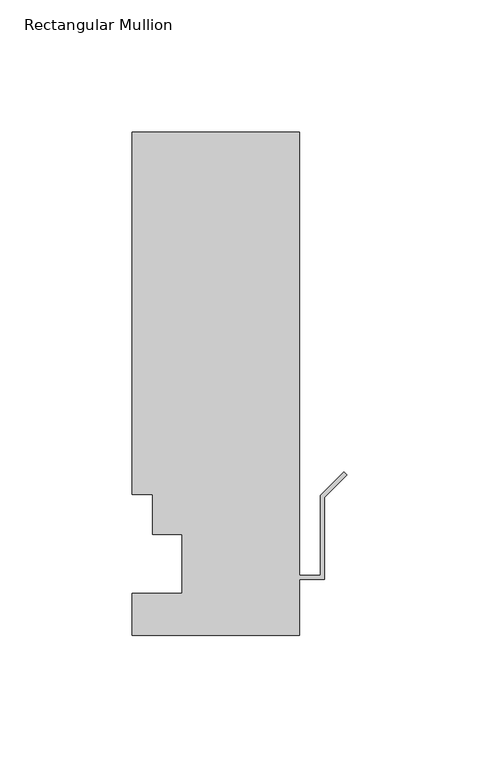
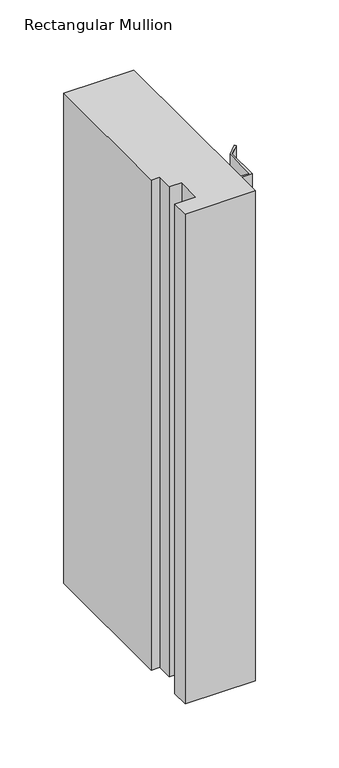
"""IFC4 building model written with IfcOpenShell, lengths in millimetres: member geometry, Rectangular Mullion."""

import ifcopenshell
import ifcopenshell.guid

model = None  # the IFC model being written
_history = None  # IfcOwnerHistory: only IFC2X3 demands one
_inside = {}  # id of a spatial element -> (the spatial element, [elements in it])
_under = {}  # id of a project, library or spatial element -> (it, [spatial elements below it])
_declared = {}  # id of a project -> (the project, [libraries it declares])
_typed = {}  # id of a type object -> (the type object, [elements of that type])
_made_of = {}  # id of a material, layer set ... -> (it, [elements and type objects made of it])


def new_model(schema):
    """Start an empty IFC model of exactly this schema.

    Asked for "IFC4X3", IfcOpenShell would pick the latest addendum, in which some entities
    have other attributes; the version numbers below select the first issue.
    IFC2X3 requires an IfcOwnerHistory on every rooted entity: one is made here for all.
    """
    global model, _history
    if schema == "IFC4X3":
        model = ifcopenshell.file(schema_version=(4, 3, 0, 0))
    else:
        model = ifcopenshell.file(schema=schema)
    _inside.clear()
    _under.clear()
    _declared.clear()
    _typed.clear()
    _made_of.clear()
    _history = None
    if model.schema == "IFC2X3":
        org = make("IfcOrganization", Name="unknown")
        user = make(
            "IfcPersonAndOrganization",
            ThePerson=make("IfcPerson", FamilyName="unknown"),
            TheOrganization=org,
        )
        app = make(
            "IfcApplication",
            ApplicationDeveloper=org,
            Version="unknown",
            ApplicationFullName="unknown",
            ApplicationIdentifier="unknown",
        )
        _history = make(
            "IfcOwnerHistory",
            OwningUser=user,
            OwningApplication=app,
            ChangeAction="ADDED",
            CreationDate=0,
        )
    return model


def make(cls, **values):
    """One entity of the class cls with the attributes given. An attribute that is None is left unset."""
    return model.create_entity(
        cls, **{name: value for name, value in values.items() if value is not None}
    )


def rooted(cls, **values):
    """An entity with a GlobalId (a new one), such as an element, a storey or a relation."""
    return make(cls, GlobalId=ifcopenshell.guid.new(), OwnerHistory=_history, **values)


def si_unit(unit_type, name, prefix=None):
    """IfcSIUnit, for example si_unit("LENGTHUNIT", "METRE", prefix="MILLI")."""
    return make("IfcSIUnit", UnitType=unit_type, Prefix=prefix, Name=name)


def assignment(units):
    """IfcUnitAssignment: the units of a project."""
    return None if units is None else make("IfcUnitAssignment", Units=units)


def point(xyz):
    """IfcCartesianPoint."""
    return None if xyz is None else make("IfcCartesianPoint", Coordinates=xyz)


def direction(xyz):
    """IfcDirection."""
    return None if xyz is None else make("IfcDirection", DirectionRatios=xyz)


def frame(location, z_axis=None, x_axis=None):
    """IfcAxis2Placement3D, a coordinate frame: its origin and axes. An axis left out is left unset."""
    return make(
        "IfcAxis2Placement3D",
        Location=point(location),
        Axis=direction(z_axis),
        RefDirection=direction(x_axis),
    )


def origin():
    """The frame at (0, 0, 0) with its axes left unset."""
    return frame((0.0, 0.0, 0.0))


def place(relative_to, where):
    """IfcLocalPlacement: puts the frame where relative to a parent placement (None: the world)."""
    return make(
        "IfcLocalPlacement", PlacementRelTo=relative_to, RelativePlacement=where
    )


def context(
    kind, dimensions, precision=None, world=None, true_north=None, identifier=None
):
    """IfcGeometricRepresentationContext, for example the 3D "Model" context."""
    return make(
        "IfcGeometricRepresentationContext",
        ContextIdentifier=identifier,
        ContextType=kind,
        CoordinateSpaceDimension=dimensions,
        Precision=precision,
        WorldCoordinateSystem=world,
        TrueNorth=true_north,
    )


def project(units=None, contexts=None):
    """IfcProject with its units and contexts."""
    return rooted(
        "IfcProject",
        Name="project",
        RepresentationContexts=contexts,
        UnitsInContext=assignment(units),
    )


def spatial(cls, under=None, at=None, **own):
    """A site, building, storey or space (cls), placed at a placement, below another one or the project."""
    s = rooted(cls, ObjectPlacement=at, **own)
    if under is not None:
        _under.setdefault(under.id(), (under, []))[1].append(s)
    return s


def polyline(points):
    """IfcPolyline through the points."""
    return make("IfcPolyline", Points=[point(p) for p in points])


def outline(outer, holes=None, kind="AREA"):
    """IfcArbitraryClosedProfileDef: a profile drawn as a closed curve; with holes, ...WithVoids."""
    if holes is None:
        return make("IfcArbitraryClosedProfileDef", ProfileType=kind, OuterCurve=outer)
    return make(
        "IfcArbitraryProfileDefWithVoids",
        ProfileType=kind,
        OuterCurve=outer,
        InnerCurves=holes,
    )


def extrude(swept, where, along, depth):
    """IfcExtrudedAreaSolid: the profile swept, set in the frame where, extruded along a direction by depth."""
    return make(
        "IfcExtrudedAreaSolid",
        SweptArea=swept,
        Position=where,
        ExtrudedDirection=direction(along),
        Depth=depth,
    )


def shape(context_of_items, identifier, shape_type, items):
    """IfcShapeRepresentation: the items that make up one representation, for example the "Body"."""
    return make(
        "IfcShapeRepresentation",
        ContextOfItems=context_of_items,
        RepresentationIdentifier=identifier,
        RepresentationType=shape_type,
        Items=items,
    )


def source(mapping_origin, context_of_items, identifier, shape_type, items):
    """IfcRepresentationMap: a shape defined once, which mapped items show again and again."""
    return make(
        "IfcRepresentationMap",
        MappingOrigin=mapping_origin,
        MappedRepresentation=shape(context_of_items, identifier, shape_type, items),
    )


def transform(
    local_origin,
    x_axis=None,
    y_axis=None,
    z_axis=None,
    scale=None,
    scale2=None,
    scale3=None,
    uniform=True,
):
    """IfcCartesianTransformationOperator3D, or its non-uniform kind. x_axis, y_axis, z_axis: its Axis1, 2, 3."""
    if uniform:
        return make(
            "IfcCartesianTransformationOperator3D",
            Axis1=direction(x_axis),
            Axis2=direction(y_axis),
            LocalOrigin=point(local_origin),
            Scale=scale,
            Axis3=direction(z_axis),
        )
    return make(
        "IfcCartesianTransformationOperator3DnonUniform",
        Axis1=direction(x_axis),
        Axis2=direction(y_axis),
        LocalOrigin=point(local_origin),
        Scale=scale,
        Axis3=direction(z_axis),
        Scale2=scale2,
        Scale3=scale3,
    )


def mapped(mapping_source, mapping_target):
    """IfcMappedItem: shows the shape of a source again, moved by a transform."""
    return make(
        "IfcMappedItem", MappingSource=mapping_source, MappingTarget=mapping_target
    )


def made_of(thing, what):
    """Note that an element or type object is made of a material, layer set ...; save() writes the relation."""
    if what is not None:
        _made_of.setdefault(what.id(), (what, []))[1].append(thing)
    return thing


def element(
    cls,
    number,
    at=None,
    inside=None,
    cuts=None,
    type_object=None,
    material=None,
    context=None,
    identifier="Body",
    shape_type=None,
    held_by="IfcProductDefinitionShape",
    body=None,
    shapes=None,
    **own,
):
    """One element of the class cls, such as IfcWall. Its Tag is "e" and its number.

    at: its placement. inside: the storey or other place that contains it. cuts: it is an
    opening in that element (IfcRelVoidsElement). A single representation is given by context,
    identifier, shape_type and body (its items); several are given by shapes. held_by: the class
    of the entity that holds the representations. save() writes the other relations.
    """
    e = rooted(cls, Tag="e%d" % number, ObjectPlacement=at, **own)
    if body is not None:
        shapes = [shape(context, identifier, shape_type, body)]
    if shapes is not None:
        e.Representation = make(held_by, Representations=shapes)
    if inside is not None:
        _inside.setdefault(inside.id(), (inside, []))[1].append(e)
    if cuts is not None:
        rooted(
            "IfcRelVoidsElement", RelatingBuildingElement=cuts, RelatedOpeningElement=e
        )
    if type_object is not None:
        _typed.setdefault(type_object.id(), (type_object, []))[1].append(e)
    return made_of(e, material)


def aggregate(whole, parts):
    """IfcRelAggregates: a whole, such as a stair, and the parts it consists of."""
    return rooted("IfcRelAggregates", RelatingObject=whole, RelatedObjects=parts)


def save(model, path):
    """Write the relations noted so far, then the file.

    IfcRelAggregates (storeys below a building ...), IfcRelContainedInSpatialStructure (elements
    in a storey), IfcRelDefinesByType, IfcRelAssociatesMaterial and IfcRelDeclares: one each for
    every whole, place, type object, material and project.
    """
    for whole, parts in _under.values():
        aggregate(whole, parts)
    for where, things in _inside.values():
        rooted(
            "IfcRelContainedInSpatialStructure",
            RelatedElements=things,
            RelatingStructure=where,
        )
    for kind, things in _typed.values():
        rooted("IfcRelDefinesByType", RelatedObjects=things, RelatingType=kind)
    for what, things in _made_of.values():
        rooted("IfcRelAssociatesMaterial", RelatedObjects=things, RelatingMaterial=what)
    for by, libraries in _declared.values():
        rooted("IfcRelDeclares", RelatingContext=by, RelatedDefinitions=libraries)
    model.write(path)


def rectangular_mullion_41391fd3(model_context):
    return source(origin(), model_context, "Body", "SweptSolid", [
        extrude(outline(polyline([(-81.5440079, 152.4992188), (-18.0440079, 152.4992188), (-18.0440079, -15.4201812), (-10.0938079, -15.4201812), (-10.0938079, 14.7550188), (-1.1135518, 23.7352749), (0.0, 22.6217231), (-8.5190079, 14.1027152), (-8.5190079, -16.9949812), (-18.0440079, -16.9949812), (-18.0440079, -38.2293813), (-81.5440079, -38.2293813), (-81.5440079, -22.3797813), (-62.4940079, -22.3797813), (-62.4940079, 0.0992188), (-73.6192079, 0.0992188), (-73.6192079, 15.1614188), (-81.5440079, 15.1614188), (-81.5440079, 152.4992188)])), frame((0.0, 0.0, -470.1087442), z_axis=(0.0, 0.0, 1.0), x_axis=(1.0, 0.0, 0.0)), (0.0, 0.0, 1.0), 470.1087442),
    ])


if __name__ == "__main__":
    model = new_model("IFC4")
    model_context = context("Model", 3, world=origin())
    ifc_project = project(units=[si_unit("LENGTHUNIT", "METRE", prefix="MILLI")], contexts=[model_context])
    site = spatial("IfcSite", under=ifc_project)
    building = spatial("IfcBuilding", under=site)
    placement = place(None, origin())
    rectangular_mullion_shape = rectangular_mullion_41391fd3(model_context)
    element("IfcMember", 1, ObjectType="Rectangular Mullion", at=placement, inside=building, context=model_context, shape_type="MappedRepresentation", body=[
        mapped(rectangular_mullion_shape, transform((0.0, 0.0, 0.0), x_axis=(1.0, 0.0, 0.0), y_axis=(0.0, 1.0, 0.0), z_axis=(0.0, 0.0, 1.0))),
    ])
    save(model, "model.ifc")
